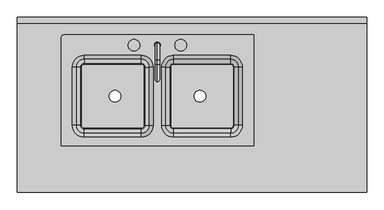
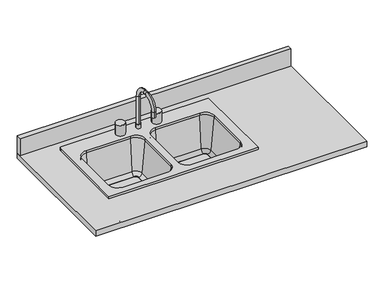
"""IFC4 building model written with IfcOpenShell, lengths in millimetres: furniture geometry."""

from ifc_helpers import new_model, si_unit, point, frame, frame_2d, origin, place, context, project, spatial, polyline, circle_curve, ellipse_curve, trimmed, segment, composite_curve, outline, extrude, source, transform, mapped, element, save
from ifc_brep_helpers import plane_surface, cylinder_surface, revolved_surface, advanced_brep


def furniture_a0154ec9(model_context):
    return source(origin(), model_context, "Body", "SolidModel", [
        advanced_brep(
        [(268.2875, 177.8, 1079.5), (-557.2125, 177.8, 1079.5), (-569.9125, 165.1, 1079.5), (-569.9125, -304.8, 1079.5), (268.2875, -304.8, 1079.5), (-220.6625, 88.9, 1079.5), (-169.8625, 38.1, 1079.5), (-169.8625, -215.9, 1079.5), (-220.6625, -266.7, 1079.5), (-469.9, -266.7, 1079.5), (-520.7, -215.9, 1079.5), (-520.7, 38.1, 1079.5), (-469.9, 88.9, 1079.5), (-80.9625, -266.7, 1079.5), (-131.7625, -215.9, 1079.5), (-131.7625, 38.1, 1079.5), (-80.9625, 88.9, 1079.5), (168.275, 88.9, 1079.5), (219.075, 38.1, 1079.5), (219.075, -215.9, 1079.5), (168.275, -266.7, 1079.5), (268.2875, 177.8, 1066.8), (268.2875, -304.8, 1066.8), (-569.9125, -304.8, 1066.8), (-569.9125, 165.1, 1066.8), (-557.2125, 177.8, 1066.8), (-80.9625, 95.25, 1066.8), (-138.1125, 38.1, 1066.8), (-138.1125, -215.9, 1066.8), (-80.9625, -273.05, 1066.8), (168.275, -273.05, 1066.8), (225.425, -215.9, 1066.8), (225.425, 38.1, 1066.8), (168.275, 95.25, 1066.8), (-163.5125, 38.1, 1066.8), (-220.6625, 95.25, 1066.8), (-469.9, 95.25, 1066.8), (-527.05, 38.1, 1066.8), (-527.05, -215.9, 1066.8), (-469.9, -273.05, 1066.8), (-220.6625, -273.05, 1066.8), (-163.5125, -215.9, 1066.8), (-220.6625, 88.9, 1066.8), (-169.8625, 38.1, 1066.8), (-169.8625, -215.9, 1066.8), (-220.6625, -266.7, 1066.8), (-469.9, -266.7, 1066.8), (-520.7, -215.9, 1066.8), (-520.7, 38.1, 1066.8), (-469.9, 88.9, 1066.8), (-80.9625, -266.7, 1066.8), (-131.7625, -215.9, 1066.8), (-131.7625, 38.1, 1066.8), (-80.9625, 88.9, 1066.8), (168.275, 88.9, 1066.8), (219.075, 38.1, 1066.8), (219.075, -215.9, 1066.8), (168.275, -266.7, 1066.8), (-115.2284272, 38.1, 877.8146831), (-80.9625, 72.3659272, 877.8146831), (-96.2509182, 38.1, 860.425), (-80.9625, 53.3884182, 860.425), (-93.6625, 38.1, 860.425), (-80.9625, 50.8, 860.425), (-93.6625, 38.1, 850.9), (-80.9625, 50.8, 850.9), (-138.1125, 38.1, 850.9), (-80.9625, 95.25, 850.9), (-115.2284272, -215.9, 877.8146831), (-96.2509182, -215.9, 860.425), (-93.6625, -215.9, 860.425), (-93.6625, -215.9, 850.9), (-138.1125, -215.9, 850.9), (-80.9625, -250.1659272, 877.8146831), (-80.9625, -231.1884182, 860.425), (-80.9625, -228.6, 860.425), (-80.9625, -228.6, 850.9), (-80.9625, -273.05, 850.9), (168.275, -250.1659272, 877.8146831), (168.275, -231.1884182, 860.425), (168.275, -228.6, 860.425), (168.275, -228.6, 850.9), (168.275, -273.05, 850.9), (202.5409272, -215.9, 877.8146831), (183.5634182, -215.9, 860.425), (180.975, -215.9, 860.425), (180.975, -215.9, 850.9), (225.425, -215.9, 850.9), (202.5409272, 38.1, 877.8146831), (183.5634182, 38.1, 860.425), (180.975, 38.1, 860.425), (180.975, 38.1, 850.9), (225.425, 38.1, 850.9), (168.275, 72.3659272, 877.8146831), (168.275, 53.3884182, 860.425), (168.275, 50.8, 860.425), (168.275, 50.8, 850.9), (168.275, 95.25, 850.9), (-163.5125, 38.1, 850.9), (-220.6625, 95.25, 850.9), (-207.9625, 38.1, 850.9), (-220.6625, 50.8, 850.9), (-207.9625, 38.1, 860.425), (-220.6625, 50.8, 860.425), (-205.3740818, 38.1, 860.425), (-220.6625, 53.3884182, 860.425), (-186.3965728, 38.1, 877.8146831), (-220.6625, 72.3659272, 877.8146831), (-163.5125, -215.9, 850.9), (-207.9625, -215.9, 850.9), (-207.9625, -215.9, 860.425), (-205.3740818, -215.9, 860.425), (-186.3965728, -215.9, 877.8146831), (-220.6625, -273.05, 850.9), (-220.6625, -228.6, 850.9), (-220.6625, -228.6, 860.425), (-220.6625, -231.1884182, 860.425), (-220.6625, -250.1659272, 877.8146831), (-469.9, -273.05, 850.9), (-469.9, -228.6, 850.9), (-469.9, -228.6, 860.425), (-469.9, -231.1884182, 860.425), (-469.9, -250.1659272, 877.8146831), (-527.05, -215.9, 850.9), (-482.6, -215.9, 850.9), (-482.6, -215.9, 860.425), (-485.1884182, -215.9, 860.425), (-504.1659272, -215.9, 877.8146831), (-527.05, 38.1, 850.9), (-482.6, 38.1, 850.9), (-482.6, 38.1, 860.425), (-485.1884182, 38.1, 860.425), (-504.1659272, 38.1, 877.8146831), (-469.9, 95.25, 850.9), (-469.9, 50.8, 850.9), (-469.9, 50.8, 860.425), (-469.9, 53.3884182, 860.425), (-469.9, 72.3659272, 877.8146831)],
        [
            (0, 1),
            (1, 2, circle_curve(frame((-557.2125, 165.1, 1079.5), z_axis=(0.0, 0.0, 1.0), x_axis=(1.0, 0.0, 0.0)), 12.7)),
            (2, 3),
            (3, 4),
            (4, 0),
            (5, 6, circle_curve(frame((-220.6625, 38.1, 1079.5), z_axis=(0.0, 0.0, -1.0), x_axis=(1.0, 0.0, 0.0)), 50.8)),
            (6, 7),
            (7, 8, circle_curve(frame((-220.6625, -215.9, 1079.5), z_axis=(0.0, 0.0, -1.0), x_axis=(1.0, 0.0, 0.0)), 50.8)),
            (8, 9),
            (9, 10, circle_curve(frame((-469.9, -215.9, 1079.5), z_axis=(0.0, 0.0, -1.0), x_axis=(1.0, 0.0, 0.0)), 50.8)),
            (10, 11),
            (11, 12, circle_curve(frame((-469.9, 38.1, 1079.5), z_axis=(0.0, 0.0, -1.0), x_axis=(1.0, 0.0, 0.0)), 50.8)),
            (12, 5),
            (13, 14, circle_curve(frame((-80.9625, -215.9, 1079.5), z_axis=(0.0, 0.0, -1.0), x_axis=(1.0, 0.0, 0.0)), 50.8)),
            (14, 15),
            (15, 16, circle_curve(frame((-80.9625, 38.1, 1079.5), z_axis=(0.0, 0.0, -1.0), x_axis=(1.0, 0.0, 0.0)), 50.8)),
            (16, 17),
            (17, 18, circle_curve(frame((168.275, 38.1, 1079.5), z_axis=(0.0, 0.0, -1.0), x_axis=(1.0, 0.0, 0.0)), 50.8)),
            (18, 19),
            (19, 20, circle_curve(frame((168.275, -215.9, 1079.5), z_axis=(0.0, 0.0, -1.0), x_axis=(1.0, 0.0, 0.0)), 50.8)),
            (20, 13),
            (21, 22),
            (22, 23),
            (23, 24),
            (24, 25, circle_curve(frame((-557.2125, 165.1, 1066.8), z_axis=(0.0, 0.0, -1.0), x_axis=(1.0, 0.0, 0.0)), 12.7)),
            (25, 21),
            (26, 27, circle_curve(frame((-80.9625, 38.1, 1066.8), z_axis=(0.0, 0.0, 1.0), x_axis=(0.0, 1.0, 0.0)), 57.15)),
            (27, 28),
            (28, 29, circle_curve(frame((-80.9625, -215.9, 1066.8), z_axis=(0.0, 0.0, 1.0), x_axis=(-1.0, 0.0, 0.0)), 57.15)),
            (29, 30),
            (30, 31, circle_curve(frame((168.275, -215.9, 1066.8), z_axis=(0.0, 0.0, 1.0), x_axis=(0.0, -1.0, 0.0)), 57.15)),
            (31, 32),
            (32, 33, circle_curve(frame((168.275, 38.1, 1066.8), z_axis=(0.0, 0.0, 1.0), x_axis=(1.0, 0.0, 0.0)), 57.15)),
            (33, 26),
            (34, 35, circle_curve(frame((-220.6625, 38.1, 1066.8), z_axis=(0.0, 0.0, 1.0), x_axis=(0.0, 1.0, 0.0)), 57.15)),
            (35, 36),
            (36, 37, circle_curve(frame((-469.9, 38.1, 1066.8), z_axis=(0.0, 0.0, 1.0), x_axis=(-1.0, 0.0, 0.0)), 57.15)),
            (37, 38),
            (38, 39, circle_curve(frame((-469.9, -215.9, 1066.8), z_axis=(0.0, 0.0, 1.0), x_axis=(0.0, -1.0, 0.0)), 57.15)),
            (39, 40),
            (40, 41, circle_curve(frame((-220.6625, -215.9, 1066.8), z_axis=(0.0, 0.0, 1.0), x_axis=(1.0, 0.0, 0.0)), 57.15)),
            (41, 34),
            (0, 21),
            (25, 1),
            (24, 2),
            (23, 3),
            (22, 4),
            (5, 42),
            (42, 43, circle_curve(frame((-220.6625, 38.1, 1066.8), z_axis=(0.0, 0.0, -1.0), x_axis=(1.0, 0.0, 0.0)), 50.8)),
            (43, 6),
            (43, 44),
            (44, 7),
            (44, 45, circle_curve(frame((-220.6625, -215.9, 1066.8), z_axis=(0.0, 0.0, -1.0), x_axis=(1.0, 0.0, 0.0)), 50.8)),
            (45, 8),
            (45, 46),
            (46, 9),
            (46, 47, circle_curve(frame((-469.9, -215.9, 1066.8), z_axis=(0.0, 0.0, -1.0), x_axis=(1.0, 0.0, 0.0)), 50.8)),
            (47, 10),
            (47, 48),
            (48, 11),
            (48, 49, circle_curve(frame((-469.9, 38.1, 1066.8), z_axis=(0.0, 0.0, -1.0), x_axis=(1.0, 0.0, 0.0)), 50.8)),
            (49, 12),
            (49, 42),
            (13, 50),
            (50, 51, circle_curve(frame((-80.9625, -215.9, 1066.8), z_axis=(0.0, 0.0, -1.0), x_axis=(1.0, 0.0, 0.0)), 50.8)),
            (51, 14),
            (51, 52),
            (52, 15),
            (52, 53, circle_curve(frame((-80.9625, 38.1, 1066.8), z_axis=(0.0, 0.0, -1.0), x_axis=(1.0, 0.0, 0.0)), 50.8)),
            (53, 16),
            (53, 54),
            (54, 17),
            (54, 55, circle_curve(frame((168.275, 38.1, 1066.8), z_axis=(0.0, 0.0, -1.0), x_axis=(1.0, 0.0, 0.0)), 50.8)),
            (55, 18),
            (55, 56),
            (56, 19),
            (56, 57, circle_curve(frame((168.275, -215.9, 1066.8), z_axis=(0.0, 0.0, -1.0), x_axis=(1.0, 0.0, 0.0)), 50.8)),
            (57, 20),
            (57, 50),
            (58, 59, circle_curve(frame((-80.9625, 38.1, 877.8146831), z_axis=(0.0, 0.0, -1.0), x_axis=(0.0, 1.0, 0.0)), 34.2659272)),
            (59, 53),
            (52, 58),
            (58, 60, circle_curve(frame((-96.2509182, 38.1, 879.475), z_axis=(0.0, -1.0, 0.0), x_axis=(1.0, 0.0, 0.0)), 19.05)),
            (60, 61, circle_curve(frame((-80.9625, 38.1, 860.425), z_axis=(0.0, 0.0, -1.0), x_axis=(0.0, 1.0, 0.0)), 15.2884182)),
            (61, 59, circle_curve(frame((-80.9625, 53.3884182, 879.475), z_axis=(1.0, 0.0, 0.0), x_axis=(0.0, -1.0, 0.0)), 19.05)),
            (60, 62),
            (62, 63, circle_curve(frame((-80.9625, 38.1, 860.425), z_axis=(0.0, 0.0, -1.0), x_axis=(0.0, 1.0, 0.0)), 12.7)),
            (63, 61),
            (62, 64),
            (64, 65, circle_curve(frame((-80.9625, 38.1, 850.9), z_axis=(0.0, 0.0, -1.0), x_axis=(0.0, 1.0, 0.0)), 12.7)),
            (65, 63),
            (64, 66),
            (66, 67, circle_curve(frame((-80.9625, 38.1, 850.9), z_axis=(0.0, 0.0, -1.0), x_axis=(0.0, 1.0, 0.0)), 57.15)),
            (67, 65),
            (66, 27),
            (26, 67),
            (51, 68),
            (68, 58),
            (68, 69, circle_curve(frame((-96.2509182, -215.9, 879.475), z_axis=(0.0, -1.0, 0.0), x_axis=(1.0, 0.0, 0.0)), 19.05)),
            (69, 60),
            (69, 70),
            (70, 62),
            (70, 71),
            (71, 64),
            (71, 72),
            (72, 66),
            (72, 28),
            (50, 73),
            (73, 68, circle_curve(frame((-80.9625, -215.9, 877.8146831), z_axis=(0.0, 0.0, -1.0), x_axis=(-1.0, 0.0, 0.0)), 34.2659272)),
            (73, 74, circle_curve(frame((-80.9625, -231.1884182, 879.475), z_axis=(1.0, 0.0, 0.0), x_axis=(0.0, 1.0, 0.0)), 19.05)),
            (74, 69, circle_curve(frame((-80.9625, -215.9, 860.425), z_axis=(0.0, 0.0, -1.0), x_axis=(-1.0, 0.0, 0.0)), 15.2884182)),
            (74, 75),
            (75, 70, circle_curve(frame((-80.9625, -215.9, 860.425), z_axis=(0.0, 0.0, -1.0), x_axis=(-1.0, 0.0, 0.0)), 12.7)),
            (75, 76),
            (76, 71, circle_curve(frame((-80.9625, -215.9, 850.9), z_axis=(0.0, 0.0, -1.0), x_axis=(-1.0, 0.0, 0.0)), 12.7)),
            (76, 77),
            (77, 72, circle_curve(frame((-80.9625, -215.9, 850.9), z_axis=(0.0, 0.0, -1.0), x_axis=(-1.0, 0.0, 0.0)), 57.15)),
            (77, 29),
            (57, 78),
            (78, 73),
            (78, 79, circle_curve(frame((168.275, -231.1884182, 879.475), z_axis=(1.0, 0.0, 0.0), x_axis=(0.0, 1.0, 0.0)), 19.05)),
            (79, 74),
            (79, 80),
            (80, 75),
            (80, 81),
            (81, 76),
            (81, 82),
            (82, 77),
            (82, 30),
            (56, 83),
            (83, 78, circle_curve(frame((168.275, -215.9, 877.8146831), z_axis=(0.0, 0.0, -1.0), x_axis=(0.0, -1.0, 0.0)), 34.2659272)),
            (83, 84, circle_curve(frame((183.5634182, -215.9, 879.475), z_axis=(0.0, 1.0, 0.0), x_axis=(-1.0, 0.0, 0.0)), 19.05)),
            (84, 79, circle_curve(frame((168.275, -215.9, 860.425), z_axis=(0.0, 0.0, -1.0), x_axis=(0.0, -1.0, 0.0)), 15.2884182)),
            (84, 85),
            (85, 80, circle_curve(frame((168.275, -215.9, 860.425), z_axis=(0.0, 0.0, -1.0), x_axis=(0.0, -1.0, 0.0)), 12.7)),
            (85, 86),
            (86, 81, circle_curve(frame((168.275, -215.9, 850.9), z_axis=(0.0, 0.0, -1.0), x_axis=(0.0, -1.0, 0.0)), 12.7)),
            (86, 87),
            (87, 82, circle_curve(frame((168.275, -215.9, 850.9), z_axis=(0.0, 0.0, -1.0), x_axis=(0.0, -1.0, 0.0)), 57.15)),
            (87, 31),
            (55, 88),
            (88, 83),
            (88, 89, circle_curve(frame((183.5634182, 38.1, 879.475), z_axis=(0.0, 1.0, 0.0), x_axis=(-1.0, 0.0, 0.0)), 19.05)),
            (89, 84),
            (89, 90),
            (90, 85),
            (90, 91),
            (91, 86),
            (91, 92),
            (92, 87),
            (92, 32),
            (54, 93),
            (93, 88, circle_curve(frame((168.275, 38.1, 877.8146831), z_axis=(0.0, 0.0, -1.0), x_axis=(1.0, 0.0, 0.0)), 34.2659272)),
            (93, 94, circle_curve(frame((168.275, 53.3884182, 879.475), z_axis=(-1.0, 0.0, 0.0), x_axis=(0.0, -1.0, 0.0)), 19.05)),
            (94, 89, circle_curve(frame((168.275, 38.1, 860.425), z_axis=(0.0, 0.0, -1.0), x_axis=(1.0, 0.0, 0.0)), 15.2884182)),
            (94, 95),
            (95, 90, circle_curve(frame((168.275, 38.1, 860.425), z_axis=(0.0, 0.0, -1.0), x_axis=(1.0, 0.0, 0.0)), 12.7)),
            (95, 96),
            (96, 91, circle_curve(frame((168.275, 38.1, 850.9), z_axis=(0.0, 0.0, -1.0), x_axis=(1.0, 0.0, 0.0)), 12.7)),
            (96, 97),
            (97, 92, circle_curve(frame((168.275, 38.1, 850.9), z_axis=(0.0, 0.0, -1.0), x_axis=(1.0, 0.0, 0.0)), 57.15)),
            (97, 33),
            (59, 93),
            (61, 94),
            (63, 95),
            (65, 96),
            (67, 97),
            (98, 99, circle_curve(frame((-220.6625, 38.1, 850.9), z_axis=(0.0, 0.0, 1.0), x_axis=(0.0, 1.0, 0.0)), 57.15)),
            (99, 35),
            (34, 98),
            (98, 100),
            (100, 101, circle_curve(frame((-220.6625, 38.1, 850.9), z_axis=(0.0, 0.0, 1.0), x_axis=(0.0, 1.0, 0.0)), 12.7)),
            (101, 99),
            (100, 102),
            (102, 103, circle_curve(frame((-220.6625, 38.1, 860.425), z_axis=(0.0, 0.0, 1.0), x_axis=(0.0, 1.0, 0.0)), 12.7)),
            (103, 101),
            (102, 104),
            (104, 105, circle_curve(frame((-220.6625, 38.1, 860.425), z_axis=(0.0, 0.0, 1.0), x_axis=(0.0, 1.0, 0.0)), 15.2884182)),
            (105, 103),
            (104, 106, circle_curve(frame((-205.3740818, 38.1, 879.475), z_axis=(0.0, -1.0, 0.0), x_axis=(1.0, 0.0, 0.0)), 19.05)),
            (106, 107, circle_curve(frame((-220.6625, 38.1, 877.8146831), z_axis=(0.0, 0.0, 1.0), x_axis=(0.0, 1.0, 0.0)), 34.2659272)),
            (107, 105, circle_curve(frame((-220.6625, 53.3884182, 879.475), z_axis=(-1.0, 0.0, 0.0), x_axis=(0.0, 1.0, 0.0)), 19.05)),
            (106, 43),
            (42, 107),
            (41, 108),
            (108, 98),
            (108, 109),
            (109, 100),
            (109, 110),
            (110, 102),
            (110, 111),
            (111, 104),
            (111, 112, circle_curve(frame((-205.3740818, -215.9, 879.475), z_axis=(0.0, -1.0, 0.0), x_axis=(1.0, 0.0, 0.0)), 19.05)),
            (112, 106),
            (112, 44),
            (40, 113),
            (113, 108, circle_curve(frame((-220.6625, -215.9, 850.9), z_axis=(0.0, 0.0, 1.0), x_axis=(1.0, 0.0, 0.0)), 57.15)),
            (113, 114),
            (114, 109, circle_curve(frame((-220.6625, -215.9, 850.9), z_axis=(0.0, 0.0, 1.0), x_axis=(1.0, 0.0, 0.0)), 12.7)),
            (114, 115),
            (115, 110, circle_curve(frame((-220.6625, -215.9, 860.425), z_axis=(0.0, 0.0, 1.0), x_axis=(1.0, 0.0, 0.0)), 12.7)),
            (115, 116),
            (116, 111, circle_curve(frame((-220.6625, -215.9, 860.425), z_axis=(0.0, 0.0, 1.0), x_axis=(1.0, 0.0, 0.0)), 15.2884182)),
            (116, 117, circle_curve(frame((-220.6625, -231.1884182, 879.475), z_axis=(-1.0, 0.0, 0.0), x_axis=(0.0, -1.0, 0.0)), 19.05)),
            (117, 112, circle_curve(frame((-220.6625, -215.9, 877.8146831), z_axis=(0.0, 0.0, 1.0), x_axis=(1.0, 0.0, 0.0)), 34.2659272)),
            (117, 45),
            (39, 118),
            (118, 113),
            (118, 119),
            (119, 114),
            (119, 120),
            (120, 115),
            (120, 121),
            (121, 116),
            (121, 122, circle_curve(frame((-469.9, -231.1884182, 879.475), z_axis=(-1.0, 0.0, 0.0), x_axis=(0.0, -1.0, 0.0)), 19.05)),
            (122, 117),
            (122, 46),
            (38, 123),
            (123, 118, circle_curve(frame((-469.9, -215.9, 850.9), z_axis=(0.0, 0.0, 1.0), x_axis=(0.0, -1.0, 0.0)), 57.15)),
            (123, 124),
            (124, 119, circle_curve(frame((-469.9, -215.9, 850.9), z_axis=(0.0, 0.0, 1.0), x_axis=(0.0, -1.0, 0.0)), 12.7)),
            (124, 125),
            (125, 120, circle_curve(frame((-469.9, -215.9, 860.425), z_axis=(0.0, 0.0, 1.0), x_axis=(0.0, -1.0, 0.0)), 12.7)),
            (125, 126),
            (126, 121, circle_curve(frame((-469.9, -215.9, 860.425), z_axis=(0.0, 0.0, 1.0), x_axis=(0.0, -1.0, 0.0)), 15.2884182)),
            (126, 127, circle_curve(frame((-485.1884182, -215.9, 879.475), z_axis=(0.0, 1.0, 0.0), x_axis=(-1.0, 0.0, 0.0)), 19.05)),
            (127, 122, circle_curve(frame((-469.9, -215.9, 877.8146831), z_axis=(0.0, 0.0, 1.0), x_axis=(0.0, -1.0, 0.0)), 34.2659272)),
            (127, 47),
            (37, 128),
            (128, 123),
            (128, 129),
            (129, 124),
            (129, 130),
            (130, 125),
            (130, 131),
            (131, 126),
            (131, 132, circle_curve(frame((-485.1884182, 38.1, 879.475), z_axis=(0.0, 1.0, 0.0), x_axis=(-1.0, 0.0, 0.0)), 19.05)),
            (132, 127),
            (132, 48),
            (36, 133),
            (133, 128, circle_curve(frame((-469.9, 38.1, 850.9), z_axis=(0.0, 0.0, 1.0), x_axis=(-1.0, 0.0, 0.0)), 57.15)),
            (133, 134),
            (134, 129, circle_curve(frame((-469.9, 38.1, 850.9), z_axis=(0.0, 0.0, 1.0), x_axis=(-1.0, 0.0, 0.0)), 12.7)),
            (134, 135),
            (135, 130, circle_curve(frame((-469.9, 38.1, 860.425), z_axis=(0.0, 0.0, 1.0), x_axis=(-1.0, 0.0, 0.0)), 12.7)),
            (135, 136),
            (136, 131, circle_curve(frame((-469.9, 38.1, 860.425), z_axis=(0.0, 0.0, 1.0), x_axis=(-1.0, 0.0, 0.0)), 15.2884182)),
            (136, 137, circle_curve(frame((-469.9, 53.3884182, 879.475), z_axis=(1.0, 0.0, 0.0), x_axis=(0.0, 1.0, 0.0)), 19.05)),
            (137, 132, circle_curve(frame((-469.9, 38.1, 877.8146831), z_axis=(0.0, 0.0, 1.0), x_axis=(-1.0, 0.0, 0.0)), 34.2659272)),
            (137, 49),
            (99, 133),
            (101, 134),
            (103, 135),
            (105, 136),
            (107, 137),
        ],
        [
            plane_surface(frame((-557.2125, 177.8, 1079.5), z_axis=(0.0, 0.0, 1.0), x_axis=(-1.0, 0.0, 0.0))),
            plane_surface(frame((-557.2125, 177.8, 1066.8), z_axis=(0.0, 0.0, -1.0), x_axis=(1.0, 0.0, 0.0))),
            plane_surface(frame((268.2875, 177.8, 1079.5), z_axis=(0.0, 1.0, 0.0), x_axis=(0.0, 0.0, -1.0))),
            cylinder_surface(frame((-557.2125, 165.1, 1066.8), z_axis=(0.0, 0.0, 1.0), x_axis=(1.0, 0.0, 0.0)), 12.7),
            plane_surface(frame((-569.9125, 165.1, 1079.5), z_axis=(-1.0, 0.0, 0.0), x_axis=(0.0, 0.0, -1.0))),
            plane_surface(frame((-569.9125, -304.8, 1079.5), z_axis=(0.0, -1.0, 0.0), x_axis=(0.0, 0.0, -1.0))),
            plane_surface(frame((268.2875, -304.8, 1079.5), z_axis=(1.0, 0.0, 0.0), x_axis=(0.0, 0.0, -1.0))),
            revolved_surface(polyline([(-169.8625, 38.1, 1066.8), (-169.8625, 38.1, 1079.5)]), (-220.6625, 38.1, 152.4), (0.0, 0.0, -1.0)),
            plane_surface(frame((-169.8625, 38.1, 1079.5), z_axis=(-1.0, 0.0, 0.0), x_axis=(0.0, 0.0, -1.0))),
            revolved_surface(polyline([(-169.8625, -215.9, 1066.8), (-169.8625, -215.9, 1079.5)]), (-220.6625, -215.9, 152.4), (0.0, 0.0, -1.0)),
            plane_surface(frame((-220.6625, -266.7, 1079.5), z_axis=(0.0, 1.0, 0.0), x_axis=(0.0, 0.0, -1.0))),
            revolved_surface(polyline([(-419.09999999999997, -215.9, 1066.8), (-419.09999999999997, -215.9, 1079.5)]), (-469.9, -215.9, 152.4), (0.0, 0.0, -1.0)),
            plane_surface(frame((-520.7, -215.9, 1079.5), z_axis=(1.0, 0.0, 0.0), x_axis=(0.0, 0.0, -1.0))),
            revolved_surface(polyline([(-419.09999999999997, 38.1, 1066.8), (-419.09999999999997, 38.1, 1079.5)]), (-469.9, 38.1, 152.4), (0.0, 0.0, -1.0)),
            plane_surface(frame((-469.9, 88.9, 1079.5), z_axis=(0.0, -1.0, 0.0), x_axis=(0.0, 0.0, -1.0))),
            revolved_surface(polyline([(-30.16250000000001, -215.9, 1066.8), (-30.16250000000001, -215.9, 1079.5)]), (-80.9625, -215.9, 152.4), (0.0, 0.0, -1.0)),
            plane_surface(frame((-131.7625, -215.9, 1079.5), z_axis=(1.0, 0.0, 0.0), x_axis=(0.0, 0.0, -1.0))),
            revolved_surface(polyline([(-30.16250000000001, 38.1, 1066.8), (-30.16250000000001, 38.1, 1079.5)]), (-80.9625, 38.1, 152.4), (0.0, 0.0, -1.0)),
            plane_surface(frame((-80.9625, 88.9, 1079.5), z_axis=(0.0, -1.0, 0.0), x_axis=(0.0, 0.0, -1.0))),
            revolved_surface(polyline([(219.075, 38.1, 1066.8), (219.075, 38.1, 1079.5)]), (168.275, 38.1, 152.4), (0.0, 0.0, -1.0)),
            plane_surface(frame((219.075, 38.1, 1079.5), z_axis=(-1.0, 0.0, 0.0), x_axis=(0.0, 0.0, -1.0))),
            revolved_surface(polyline([(219.075, -215.9, 1066.8), (219.075, -215.9, 1079.5)]), (168.275, -215.9, 152.4), (0.0, 0.0, -1.0)),
            plane_surface(frame((168.275, -266.7, 1079.5), z_axis=(0.0, 1.0, 0.0), x_axis=(0.0, 0.0, -1.0))),
            revolved_surface(polyline([(-80.9625, 88.9, 1066.8), (-80.9625, 72.3659272, 877.8146831)]), (-80.9625, 38.1, 152.4), (0.0, 0.0, 1.0)),
            revolved_surface(trimmed(ellipse_curve(frame((-80.9625, 53.3884182, 879.475), z_axis=(-1.0, 0.0, 0.0), x_axis=(0.0, -1.0, 0.0)), 19.05, 19.05), [point((-80.9625, 72.3659272, 877.8146831))], [point((-80.9625, 53.3884182, 860.425))], True, "CARTESIAN"), (-80.9625, 38.1, 152.4), (0.0, 0.0, 1.0)),
            plane_surface(frame((-80.9625, 38.1, 860.425), z_axis=(0.0, 0.0, 1.0), x_axis=(0.0, 1.0, 0.0))),
            revolved_surface(polyline([(-80.9625, 50.8, 860.425), (-80.9625, 50.8, 850.9)]), (-80.9625, 38.1, 152.4), (0.0, 0.0, 1.0)),
            plane_surface(frame((-80.9625, 38.1, 850.9), z_axis=(0.0, 0.0, -1.0), x_axis=(0.0, 1.0, 0.0))),
            cylinder_surface(frame((-80.9625, 38.1, 152.4), z_axis=(0.0, 0.0, 1.0), x_axis=(0.0, 1.0, 0.0)), 57.15),
            plane_surface(frame((-131.7625, 38.1, 1066.8), z_axis=(0.996194698091745, 0.0, 0.08715574274766508), x_axis=(0.0, -1.0, 0.0))),
            revolved_surface(polyline([(-77.2009182, -215.9, 879.475), (-77.2009182, 38.1, 879.475)]), (-96.2509182, 38.1, 879.475), (0.0, -1.0, 0.0)),
            plane_surface(frame((-96.2509182, 38.1, 860.425), z_axis=(0.0, 0.0, 1.0), x_axis=(0.0, -1.0, 0.0))),
            plane_surface(frame((-93.6625, 38.1, 860.425), z_axis=(1.0, 0.0, 0.0), x_axis=(0.0, -1.0, 0.0))),
            plane_surface(frame((-93.6625, 38.1, 850.9), z_axis=(0.0, 0.0, -1.0), x_axis=(0.0, -1.0, 0.0))),
            plane_surface(frame((-138.1125, 38.1, 850.9), z_axis=(-1.0, 0.0, 0.0), x_axis=(0.0, -1.0, 0.0))),
            revolved_surface(polyline([(-131.7625, -215.9, 1066.8), (-115.2284272, -215.9, 877.8146831)]), (-80.9625, -215.9, 152.4), (0.0, 0.0, 1.0)),
            revolved_surface(trimmed(ellipse_curve(frame((-96.2509182, -215.9, 879.475), z_axis=(0.0, -1.0, 0.0), x_axis=(1.0, 0.0, 0.0)), 19.05, 19.05), [point((-115.2284272, -215.9, 877.8146831))], [point((-96.2509182, -215.9, 860.425))], True, "CARTESIAN"), (-80.9625, -215.9, 152.4), (0.0, 0.0, 1.0)),
            plane_surface(frame((-80.9625, -215.9, 860.425), z_axis=(0.0, 0.0, 1.0), x_axis=(-1.0, 0.0, 0.0))),
            revolved_surface(polyline([(-93.66250000000001, -215.9, 860.425), (-93.66250000000001, -215.9, 850.9)]), (-80.9625, -215.9, 152.4), (0.0, 0.0, 1.0)),
            plane_surface(frame((-80.9625, -215.9, 850.9), z_axis=(0.0, 0.0, -1.0), x_axis=(-1.0, 0.0, 0.0))),
            cylinder_surface(frame((-80.9625, -215.9, 152.4), z_axis=(0.0, 0.0, 1.0), x_axis=(-1.0, 0.0, 0.0)), 57.15),
            plane_surface(frame((-80.9625, -266.7, 1066.8), z_axis=(0.0, 0.996194698091745, 0.08715574274766508), x_axis=(1.0, 0.0, 0.0))),
            revolved_surface(polyline([(168.275, -212.1384182, 879.475), (-80.9625, -212.1384182, 879.475)]), (-80.9625, -231.1884182, 879.475), (1.0, 0.0, 0.0)),
            plane_surface(frame((-80.9625, -231.1884182, 860.425), z_axis=(0.0, 0.0, 1.0), x_axis=(1.0, 0.0, 0.0))),
            plane_surface(frame((-80.9625, -228.6, 860.425), z_axis=(0.0, 1.0, 0.0), x_axis=(1.0, 0.0, 0.0))),
            plane_surface(frame((-80.9625, -228.6, 850.9), z_axis=(0.0, 0.0, -1.0), x_axis=(1.0, 0.0, 0.0))),
            plane_surface(frame((-80.9625, -273.05, 850.9), z_axis=(0.0, -1.0, 0.0), x_axis=(1.0, 0.0, 0.0))),
            revolved_surface(polyline([(168.275, -266.7, 1066.8), (168.275, -250.1659272, 877.8146831)]), (168.275, -215.9, 152.4), (0.0, 0.0, 1.0)),
            revolved_surface(trimmed(ellipse_curve(frame((168.275, -231.1884182, 879.475), z_axis=(1.0, 0.0, 0.0), x_axis=(0.0, 1.0, 0.0)), 19.05, 19.05), [point((168.275, -250.1659272, 877.8146831))], [point((168.275, -231.1884182, 860.425))], True, "CARTESIAN"), (168.275, -215.9, 152.4), (0.0, 0.0, 1.0)),
            plane_surface(frame((168.275, -215.9, 860.425), z_axis=(0.0, 0.0, 1.0), x_axis=(0.0, -1.0, 0.0))),
            revolved_surface(polyline([(168.275, -228.6, 860.425), (168.275, -228.6, 850.9)]), (168.275, -215.9, 152.4), (0.0, 0.0, 1.0)),
            plane_surface(frame((168.275, -215.9, 850.9), z_axis=(0.0, 0.0, -1.0), x_axis=(0.0, -1.0, 0.0))),
            cylinder_surface(frame((168.275, -215.9, 152.4), z_axis=(0.0, 0.0, 1.0), x_axis=(0.0, -1.0, 0.0)), 57.15),
            plane_surface(frame((219.075, -215.9, 1066.8), z_axis=(-0.996194698091745, 0.0, 0.08715574274766508), x_axis=(0.0, 1.0, 0.0))),
            revolved_surface(polyline([(164.5134182, 38.099999999999994, 879.475), (164.5134182, -215.9, 879.475)]), (183.5634182, -215.9, 879.475), (0.0, 1.0, 0.0)),
            plane_surface(frame((183.5634182, -215.9, 860.425), z_axis=(0.0, 0.0, 1.0), x_axis=(0.0, 1.0, 0.0))),
            plane_surface(frame((180.975, -215.9, 860.425), z_axis=(-1.0, 0.0, 0.0), x_axis=(0.0, 1.0, 0.0))),
            plane_surface(frame((180.975, -215.9, 850.9), z_axis=(0.0, 0.0, -1.0), x_axis=(0.0, 1.0, 0.0))),
            plane_surface(frame((225.425, -215.9, 850.9), z_axis=(1.0, 0.0, 0.0), x_axis=(0.0, 1.0, 0.0))),
            revolved_surface(polyline([(219.075, 38.1, 1066.8), (202.5409272, 38.1, 877.8146831)]), (168.275, 38.1, 152.4), (0.0, 0.0, 1.0)),
            revolved_surface(trimmed(ellipse_curve(frame((183.5634182, 38.1, 879.475), z_axis=(0.0, 1.0, 0.0), x_axis=(-1.0, 0.0, 0.0)), 19.05, 19.05), [point((202.5409272, 38.1, 877.8146831))], [point((183.5634182, 38.1, 860.425))], True, "CARTESIAN"), (168.275, 38.1, 152.4), (0.0, 0.0, 1.0)),
            plane_surface(frame((168.275, 38.1, 860.425), z_axis=(0.0, 0.0, 1.0), x_axis=(1.0, 0.0, 0.0))),
            revolved_surface(polyline([(180.975, 38.1, 860.425), (180.975, 38.1, 850.9)]), (168.275, 38.1, 152.4), (0.0, 0.0, 1.0)),
            plane_surface(frame((168.275, 38.1, 850.9), z_axis=(0.0, 0.0, -1.0), x_axis=(1.0, 0.0, 0.0))),
            cylinder_surface(frame((168.275, 38.1, 152.4), z_axis=(0.0, 0.0, 1.0), x_axis=(1.0, 0.0, 0.0)), 57.15),
            plane_surface(frame((168.275, 88.9, 1066.8), z_axis=(0.0, -0.996194698091745, 0.08715574274766508), x_axis=(-1.0, 0.0, 0.0))),
            revolved_surface(polyline([(-80.9625, 34.33841819999999, 879.475), (168.275, 34.33841819999999, 879.475)]), (168.275, 53.3884182, 879.475), (-1.0, 0.0, 0.0)),
            plane_surface(frame((168.275, 53.3884182, 860.425), z_axis=(0.0, 0.0, 1.0), x_axis=(-1.0, 0.0, 0.0))),
            plane_surface(frame((168.275, 50.8, 860.425), z_axis=(0.0, -1.0, 0.0), x_axis=(-1.0, 0.0, 0.0))),
            plane_surface(frame((168.275, 50.8, 850.9), z_axis=(0.0, 0.0, -1.0), x_axis=(-1.0, 0.0, 0.0))),
            plane_surface(frame((168.275, 95.25, 850.9), z_axis=(0.0, 1.0, 0.0), x_axis=(-1.0, 0.0, 0.0))),
            cylinder_surface(frame((-220.6625, 38.1, 152.4), z_axis=(0.0, 0.0, -1.0), x_axis=(0.0, 1.0, 0.0)), 57.15),
            plane_surface(frame((-220.6625, 38.1, 850.9), z_axis=(0.0, 0.0, -1.0), x_axis=(0.0, 1.0, 0.0))),
            revolved_surface(polyline([(-220.6625, 50.8, 850.9), (-220.6625, 50.8, 860.425)]), (-220.6625, 38.1, 152.4), (0.0, 0.0, -1.0)),
            plane_surface(frame((-220.6625, 38.1, 860.425), z_axis=(0.0, 0.0, 1.0), x_axis=(0.0, 1.0, 0.0))),
            revolved_surface(trimmed(ellipse_curve(frame((-220.6625, 53.3884182, 879.475), z_axis=(1.0, 0.0, 0.0), x_axis=(0.0, 1.0, 0.0)), 19.05, 19.05), [point((-220.6625, 53.3884182, 860.425))], [point((-220.6625, 72.3659272, 877.8146831))], True, "CARTESIAN"), (-220.6625, 38.1, 152.4), (0.0, 0.0, -1.0)),
            revolved_surface(polyline([(-220.6625, 72.3659272, 877.8146831), (-220.6625, 88.9, 1066.8)]), (-220.6625, 38.1, 152.4), (0.0, 0.0, -1.0)),
            plane_surface(frame((-163.5125, 38.1, 1066.8), z_axis=(1.0, 0.0, 0.0), x_axis=(0.0, -1.0, 0.0))),
            plane_surface(frame((-163.5125, 38.1, 850.9), z_axis=(0.0, 0.0, -1.0), x_axis=(0.0, -1.0, 0.0))),
            plane_surface(frame((-207.9625, 38.1, 850.9), z_axis=(-1.0, 0.0, 0.0), x_axis=(0.0, -1.0, 0.0))),
            plane_surface(frame((-207.9625, 38.1, 860.425), z_axis=(0.0, 0.0, 1.0), x_axis=(0.0, -1.0, 0.0))),
            revolved_surface(polyline([(-186.3240818, -215.9, 879.475), (-186.3240818, 38.1, 879.475)]), (-205.3740818, 38.1, 879.475), (0.0, -1.0, 0.0)),
            plane_surface(frame((-186.3965728, 38.1, 877.8146831), z_axis=(-0.9961946980917439, 0.0, 0.08715574274767722), x_axis=(0.0, -1.0, 0.0))),
            cylinder_surface(frame((-220.6625, -215.9, 152.4), z_axis=(0.0, 0.0, -1.0), x_axis=(1.0, 0.0, 0.0)), 57.15),
            plane_surface(frame((-220.6625, -215.9, 850.9), z_axis=(0.0, 0.0, -1.0), x_axis=(1.0, 0.0, 0.0))),
            revolved_surface(polyline([(-207.9625, -215.9, 850.9), (-207.9625, -215.9, 860.425)]), (-220.6625, -215.9, 152.4), (0.0, 0.0, -1.0)),
            plane_surface(frame((-220.6625, -215.9, 860.425), z_axis=(0.0, 0.0, 1.0), x_axis=(1.0, 0.0, 0.0))),
            revolved_surface(trimmed(ellipse_curve(frame((-205.3740818, -215.9, 879.475), z_axis=(0.0, -1.0, 0.0), x_axis=(1.0, 0.0, 0.0)), 19.05, 19.05), [point((-205.3740818, -215.9, 860.425))], [point((-186.3965728, -215.9, 877.8146831))], True, "CARTESIAN"), (-220.6625, -215.9, 152.4), (0.0, 0.0, -1.0)),
            revolved_surface(polyline([(-186.3965728, -215.9, 877.8146831), (-169.8625, -215.9, 1066.8)]), (-220.6625, -215.9, 152.4), (0.0, 0.0, -1.0)),
            plane_surface(frame((-220.6625, -273.05, 1066.8), z_axis=(0.0, -1.0, 0.0), x_axis=(-1.0, 0.0, 0.0))),
            plane_surface(frame((-220.6625, -273.05, 850.9), z_axis=(0.0, 0.0, -1.0), x_axis=(-1.0, 0.0, 0.0))),
            plane_surface(frame((-220.6625, -228.6, 850.9), z_axis=(0.0, 1.0, 0.0), x_axis=(-1.0, 0.0, 0.0))),
            plane_surface(frame((-220.6625, -228.6, 860.425), z_axis=(0.0, 0.0, 1.0), x_axis=(-1.0, 0.0, 0.0))),
            revolved_surface(polyline([(-469.9, -250.2384182, 879.475), (-220.6625, -250.2384182, 879.475)]), (-220.6625, -231.1884182, 879.475), (-1.0, 0.0, 0.0)),
            plane_surface(frame((-220.6625, -250.1659272, 877.8146831), z_axis=(0.0, 0.9961946980917439, 0.08715574274767722), x_axis=(-1.0, 0.0, 0.0))),
            cylinder_surface(frame((-469.9, -215.9, 152.4), z_axis=(0.0, 0.0, -1.0), x_axis=(0.0, -1.0, 0.0)), 57.15),
            plane_surface(frame((-469.9, -215.9, 850.9), z_axis=(0.0, 0.0, -1.0), x_axis=(0.0, -1.0, 0.0))),
            revolved_surface(polyline([(-469.9, -228.6, 850.9), (-469.9, -228.6, 860.425)]), (-469.9, -215.9, 152.4), (0.0, 0.0, -1.0)),
            plane_surface(frame((-469.9, -215.9, 860.425), z_axis=(0.0, 0.0, 1.0), x_axis=(0.0, -1.0, 0.0))),
            revolved_surface(trimmed(ellipse_curve(frame((-469.9, -231.1884182, 879.475), z_axis=(-1.0, 0.0, 0.0), x_axis=(0.0, -1.0, 0.0)), 19.05, 19.05), [point((-469.9, -231.1884182, 860.425))], [point((-469.9, -250.1659272, 877.8146831))], True, "CARTESIAN"), (-469.9, -215.9, 152.4), (0.0, 0.0, -1.0)),
            revolved_surface(polyline([(-469.9, -250.1659272, 877.8146831), (-469.9, -266.7, 1066.8)]), (-469.9, -215.9, 152.4), (0.0, 0.0, -1.0)),
            plane_surface(frame((-527.05, -215.9, 1066.8), z_axis=(-1.0, 0.0, 0.0), x_axis=(0.0, 1.0, 0.0))),
            plane_surface(frame((-527.05, -215.9, 850.9), z_axis=(0.0, 0.0, -1.0), x_axis=(0.0, 1.0, 0.0))),
            plane_surface(frame((-482.6, -215.9, 850.9), z_axis=(1.0, 0.0, 0.0), x_axis=(0.0, 1.0, 0.0))),
            plane_surface(frame((-482.6, -215.9, 860.425), z_axis=(0.0, 0.0, 1.0), x_axis=(0.0, 1.0, 0.0))),
            revolved_surface(polyline([(-504.2384182, 38.099999999999994, 879.475), (-504.2384182, -215.9, 879.475)]), (-485.1884182, -215.9, 879.475), (0.0, 1.0, 0.0)),
            plane_surface(frame((-504.1659272, -215.9, 877.8146831), z_axis=(0.9961946980917439, 0.0, 0.08715574274767722), x_axis=(0.0, 1.0, 0.0))),
            cylinder_surface(frame((-469.9, 38.1, 152.4), z_axis=(0.0, 0.0, -1.0), x_axis=(-1.0, 0.0, 0.0)), 57.15),
            plane_surface(frame((-469.9, 38.1, 850.9), z_axis=(0.0, 0.0, -1.0), x_axis=(-1.0, 0.0, 0.0))),
            revolved_surface(polyline([(-482.59999999999997, 38.1, 850.9), (-482.59999999999997, 38.1, 860.425)]), (-469.9, 38.1, 152.4), (0.0, 0.0, -1.0)),
            plane_surface(frame((-469.9, 38.1, 860.425), z_axis=(0.0, 0.0, 1.0), x_axis=(-1.0, 0.0, 0.0))),
            revolved_surface(trimmed(ellipse_curve(frame((-485.1884182, 38.1, 879.475), z_axis=(0.0, 1.0, 0.0), x_axis=(-1.0, 0.0, 0.0)), 19.05, 19.05), [point((-485.1884182, 38.1, 860.425))], [point((-504.1659272, 38.1, 877.8146831))], True, "CARTESIAN"), (-469.9, 38.1, 152.4), (0.0, 0.0, -1.0)),
            revolved_surface(polyline([(-504.1659272, 38.1, 877.8146831), (-520.7, 38.1, 1066.8)]), (-469.9, 38.1, 152.4), (0.0, 0.0, -1.0)),
            plane_surface(frame((-469.9, 95.25, 1066.8), z_axis=(0.0, 1.0, 0.0), x_axis=(1.0, 0.0, 0.0))),
            plane_surface(frame((-469.9, 95.25, 850.9), z_axis=(0.0, 0.0, -1.0), x_axis=(1.0, 0.0, 0.0))),
            plane_surface(frame((-469.9, 50.8, 850.9), z_axis=(0.0, -1.0, 0.0), x_axis=(1.0, 0.0, 0.0))),
            plane_surface(frame((-469.9, 50.8, 860.425), z_axis=(0.0, 0.0, 1.0), x_axis=(1.0, 0.0, 0.0))),
            revolved_surface(polyline([(-220.6625, 72.4384182, 879.475), (-469.9, 72.4384182, 879.475)]), (-469.9, 53.3884182, 879.475), (1.0, 0.0, 0.0)),
            plane_surface(frame((-469.9, 72.3659272, 877.8146831), z_axis=(0.0, -0.9961946980917439, 0.08715574274767722), x_axis=(1.0, 0.0, 0.0))),
        ],
        [
            (0, [[1, 2, 3, 4, 5], [6, 7, 8, 9, 10, 11, 12, 13], [14, 15, 16, 17, 18, 19, 20, 21]]),
            (1, [[22, 23, 24, 25, 26], [27, 28, 29, 30, 31, 32, 33, 34], [35, 36, 37, 38, 39, 40, 41, 42]]),
            (2, [[-1, 43, -26, 44]]),
            (3, [[-2, -44, -25, 45]]),
            (4, [[-3, -45, -24, 46]]),
            (5, [[-4, -46, -23, 47]]),
            (6, [[-5, -47, -22, -43]]),
            (7, [[-6, 48, 49, 50]]),
            (8, [[-7, -50, 51, 52]]),
            (9, [[-8, -52, 53, 54]]),
            (10, [[-9, -54, 55, 56]]),
            (11, [[-10, -56, 57, 58]]),
            (12, [[-11, -58, 59, 60]]),
            (13, [[-12, -60, 61, 62]]),
            (14, [[-13, -62, 63, -48]]),
            (15, [[-14, 64, 65, 66]]),
            (16, [[-15, -66, 67, 68]]),
            (17, [[-16, -68, 69, 70]]),
            (18, [[-17, -70, 71, 72]]),
            (19, [[-18, -72, 73, 74]]),
            (20, [[-19, -74, 75, 76]]),
            (21, [[-20, -76, 77, 78]]),
            (22, [[-21, -78, 79, -64]]),
            (23, [[80, 81, -69, 82]]),
            (24, [[-80, 83, 84, 85]]),
            (25, [[-84, 86, 87, 88]]),
            (26, [[-87, 89, 90, 91]]),
            (27, [[-90, 92, 93, 94]]),
            (28, [[-93, 95, -27, 96]]),
            (29, [[-82, -67, 97, 98]]),
            (30, [[-83, -98, 99, 100]]),
            (31, [[-86, -100, 101, 102]]),
            (32, [[-89, -102, 103, 104]]),
            (33, [[-92, -104, 105, 106]]),
            (34, [[-95, -106, 107, -28]]),
            (35, [[-97, -65, 108, 109]]),
            (36, [[-99, -109, 110, 111]]),
            (37, [[-101, -111, 112, 113]]),
            (38, [[-103, -113, 114, 115]]),
            (39, [[-105, -115, 116, 117]]),
            (40, [[-107, -117, 118, -29]]),
            (41, [[-108, -79, 119, 120]]),
            (42, [[-110, -120, 121, 122]]),
            (43, [[-112, -122, 123, 124]]),
            (44, [[-114, -124, 125, 126]]),
            (45, [[-116, -126, 127, 128]]),
            (46, [[-118, -128, 129, -30]]),
            (47, [[-119, -77, 130, 131]]),
            (48, [[-121, -131, 132, 133]]),
            (49, [[-123, -133, 134, 135]]),
            (50, [[-125, -135, 136, 137]]),
            (51, [[-127, -137, 138, 139]]),
            (52, [[-129, -139, 140, -31]]),
            (53, [[-130, -75, 141, 142]]),
            (54, [[-132, -142, 143, 144]]),
            (55, [[-134, -144, 145, 146]]),
            (56, [[-136, -146, 147, 148]]),
            (57, [[-138, -148, 149, 150]]),
            (58, [[-140, -150, 151, -32]]),
            (59, [[-141, -73, 152, 153]]),
            (60, [[-143, -153, 154, 155]]),
            (61, [[-145, -155, 156, 157]]),
            (62, [[-147, -157, 158, 159]]),
            (63, [[-149, -159, 160, 161]]),
            (64, [[-151, -161, 162, -33]]),
            (65, [[-81, 163, -152, -71]]),
            (66, [[-85, 164, -154, -163]]),
            (67, [[-88, 165, -156, -164]]),
            (68, [[-91, 166, -158, -165]]),
            (69, [[-94, 167, -160, -166]]),
            (70, [[-96, -34, -162, -167]]),
            (71, [[168, 169, -35, 170]]),
            (72, [[-168, 171, 172, 173]]),
            (73, [[-172, 174, 175, 176]]),
            (74, [[-175, 177, 178, 179]]),
            (75, [[-178, 180, 181, 182]]),
            (76, [[-181, 183, -49, 184]]),
            (77, [[-170, -42, 185, 186]]),
            (78, [[-171, -186, 187, 188]]),
            (79, [[-174, -188, 189, 190]]),
            (80, [[-177, -190, 191, 192]]),
            (81, [[-180, -192, 193, 194]]),
            (82, [[-183, -194, 195, -51]]),
            (83, [[-185, -41, 196, 197]]),
            (84, [[-187, -197, 198, 199]]),
            (85, [[-189, -199, 200, 201]]),
            (86, [[-191, -201, 202, 203]]),
            (87, [[-193, -203, 204, 205]]),
            (88, [[-195, -205, 206, -53]]),
            (89, [[-196, -40, 207, 208]]),
            (90, [[-198, -208, 209, 210]]),
            (91, [[-200, -210, 211, 212]]),
            (92, [[-202, -212, 213, 214]]),
            (93, [[-204, -214, 215, 216]]),
            (94, [[-206, -216, 217, -55]]),
            (95, [[-207, -39, 218, 219]]),
            (96, [[-209, -219, 220, 221]]),
            (97, [[-211, -221, 222, 223]]),
            (98, [[-213, -223, 224, 225]]),
            (99, [[-215, -225, 226, 227]]),
            (100, [[-217, -227, 228, -57]]),
            (101, [[-218, -38, 229, 230]]),
            (102, [[-220, -230, 231, 232]]),
            (103, [[-222, -232, 233, 234]]),
            (104, [[-224, -234, 235, 236]]),
            (105, [[-226, -236, 237, 238]]),
            (106, [[-228, -238, 239, -59]]),
            (107, [[-229, -37, 240, 241]]),
            (108, [[-231, -241, 242, 243]]),
            (109, [[-233, -243, 244, 245]]),
            (110, [[-235, -245, 246, 247]]),
            (111, [[-237, -247, 248, 249]]),
            (112, [[-239, -249, 250, -61]]),
            (113, [[-169, 251, -240, -36]]),
            (114, [[-173, 252, -242, -251]]),
            (115, [[-176, 253, -244, -252]]),
            (116, [[-179, 254, -246, -253]]),
            (117, [[-182, 255, -248, -254]]),
            (118, [[-184, -63, -250, -255]]),
        ],
    ),
        extrude(outline(composite_curve([segment(trimmed(circle_curve(frame_2d((179.3875, 40.6884182)), 12.7), [point((179.3875, 53.3884182))], [point((192.0875, 40.6884182))], False, "CARTESIAN"), True, "CONTINUOUS"), segment(polyline([(192.0875, 40.6884182), (192.0875, -215.9)]), True, "CONTINUOUS"), segment(trimmed(circle_curve(frame_2d((179.3875, -215.9)), 12.7), [point((192.0875, -215.9))], [point((179.3875, -228.6))], False, "CARTESIAN"), True, "CONTINUOUS"), segment(polyline([(179.3875, -228.6), (-80.9625, -228.6)]), True, "CONTINUOUS"), segment(trimmed(circle_curve(frame_2d((-80.9625, -215.9)), 12.7), [point((-80.9625, -228.6))], [point((-93.6625, -215.9))], False, "CARTESIAN"), True, "CONTINUOUS"), segment(polyline([(-93.6625, -215.9), (-93.6625, 40.6884182)]), True, "CONTINUOUS"), segment(trimmed(circle_curve(frame_2d((-80.9625, 40.6884182)), 12.7), [point((-93.6625, 40.6884182))], [point((-80.9625, 53.3884182))], False, "CARTESIAN"), True, "CONTINUOUS"), segment(polyline([(-80.9625, 53.3884182), (179.3875, 53.3884182)]), True, "CONTINUOUS")], self_intersect=False), holes=[composite_curve([segment(trimmed(circle_curve(frame_2d((34.13125, -88.9)), 25.4), [point((8.73125, -88.9))], [point((59.53125, -88.9))], True, "CARTESIAN"), True, "CONTINUOUS"), segment(trimmed(circle_curve(frame_2d((34.13125, -88.9)), 25.4), [point((59.53125, -88.9))], [point((8.73125, -88.9))], True, "CARTESIAN"), True, "CONTINUOUS")], self_intersect=False)]), frame((0.0, 0.0, 850.9), z_axis=(0.0, 0.0, 1.0), x_axis=(1.0, 0.0, 0.0)), (0.0, 0.0, 1.0), 9.525),
        extrude(outline(composite_curve([segment(trimmed(circle_curve(frame_2d((-252.4125, 133.35)), 25.4), [point((-277.8125, 133.35))], [point((-227.0125, 133.35))], False, "CARTESIAN"), True, "CONTINUOUS"), segment(trimmed(circle_curve(frame_2d((-252.4125, 133.35)), 25.4), [point((-227.0125, 133.35))], [point((-277.8125, 133.35))], False, "CARTESIAN"), True, "CONTINUOUS")], self_intersect=False)), frame((0.0, 0.0, 1079.5), z_axis=(0.0, 0.0, 1.0), x_axis=(1.0, 0.0, 0.0)), (0.0, 0.0, 1.0), 63.5),
        extrude(outline(composite_curve([segment(trimmed(circle_curve(frame_2d((-49.2125, 133.35)), 25.4), [point((-74.6125, 133.35))], [point((-23.8125, 133.35))], False, "CARTESIAN"), True, "CONTINUOUS"), segment(trimmed(circle_curve(frame_2d((-49.2125, 133.35)), 25.4), [point((-23.8125, 133.35))], [point((-74.6125, 133.35))], False, "CARTESIAN"), True, "CONTINUOUS")], self_intersect=False)), frame((0.0, 0.0, 1079.5), z_axis=(0.0, 0.0, 1.0), x_axis=(1.0, 0.0, 0.0)), (0.0, 0.0, 1.0), 63.5),
        extrude(outline(composite_curve([segment(trimmed(circle_curve(frame_2d((-220.6625, 38.1)), 12.7), [point((-220.6625, 50.8))], [point((-207.9625, 38.1))], False, "CARTESIAN"), True, "CONTINUOUS"), segment(polyline([(-207.9625, 38.1), (-207.9625, -215.9)]), True, "CONTINUOUS"), segment(trimmed(circle_curve(frame_2d((-220.6625, -215.9)), 12.7), [point((-207.9625, -215.9))], [point((-220.6625, -228.6))], False, "CARTESIAN"), True, "CONTINUOUS"), segment(polyline([(-220.6625, -228.6), (-469.9, -228.6)]), True, "CONTINUOUS"), segment(trimmed(circle_curve(frame_2d((-469.9, -215.9)), 12.7), [point((-469.9, -228.6))], [point((-482.6, -215.9))], False, "CARTESIAN"), True, "CONTINUOUS"), segment(polyline([(-482.6, -215.9), (-482.6, 38.1)]), True, "CONTINUOUS"), segment(trimmed(circle_curve(frame_2d((-469.9, 38.1)), 12.7), [point((-482.6, 38.1))], [point((-469.9, 50.8))], False, "CARTESIAN"), True, "CONTINUOUS"), segment(polyline([(-469.9, 50.8), (-220.6625, 50.8)]), True, "CONTINUOUS")], self_intersect=False), holes=[composite_curve([segment(trimmed(circle_curve(frame_2d((-335.75625, -88.9)), 25.4), [point((-361.15625, -88.9))], [point((-310.35625, -88.9))], True, "CARTESIAN"), True, "CONTINUOUS"), segment(trimmed(circle_curve(frame_2d((-335.75625, -88.9)), 25.4), [point((-310.35625, -88.9))], [point((-361.15625, -88.9))], True, "CARTESIAN"), True, "CONTINUOUS")], self_intersect=False)]), frame((0.0, 0.0, 850.9), z_axis=(0.0, 0.0, 1.0), x_axis=(1.0, 0.0, 0.0)), (0.0, 0.0, 1.0), 9.525),
        advanced_brep(
        [(-163.5125, 133.35, 1079.5), (-138.1125, 133.35, 1079.5), (-150.8125, 142.875, 1266.825), (-150.8125, 123.825, 1266.825), (-150.8125, 123.825, 1104.9), (-150.8125, 142.875, 1104.9), (-150.8125, 69.85, 1339.85), (-150.8125, 69.85, 1320.8), (-150.8125, 47.625, 1320.8), (-150.8125, 47.625, 1339.85), (-150.8125, -25.4, 1266.825), (-150.8125, -6.35, 1266.825), (-150.8125, -25.4, 1231.9), (-150.8125, -6.35, 1231.9), (-163.5125, 133.35, 1104.9), (-138.1125, 133.35, 1104.9)],
        [
            (0, 1, circle_curve(frame((-150.8125, 133.35, 1079.5), z_axis=(0.0, 0.0, -1.0), x_axis=(1.0, 0.0, 0.0)), 12.7)),
            (1, 0, circle_curve(frame((-150.8125, 133.35, 1079.5), z_axis=(0.0, 0.0, -1.0), x_axis=(1.0, 0.0, 0.0)), 12.7)),
            (2, 3, circle_curve(frame((-150.8125, 133.35, 1266.825), z_axis=(0.0, 0.0, -1.0), x_axis=(0.0, -1.0, 0.0)), 9.525)),
            (3, 4),
            (4, 5, circle_curve(frame((-150.8125, 133.35, 1104.9), z_axis=(0.0, 0.0, 1.0), x_axis=(0.0, -1.0, 0.0)), 9.525)),
            (5, 2),
            (3, 2, circle_curve(frame((-150.8125, 133.35, 1266.825), z_axis=(0.0, 0.0, -1.0), x_axis=(0.0, -1.0, 0.0)), 9.525)),
            (5, 4, circle_curve(frame((-150.8125, 133.35, 1104.9), z_axis=(0.0, 0.0, 1.0), x_axis=(0.0, -1.0, 0.0)), 9.525)),
            (2, 6, circle_curve(frame((-150.8125, 69.85, 1266.825), z_axis=(1.0, 0.0, 0.0), x_axis=(0.0, 1.0, 0.0)), 73.025)),
            (6, 7, circle_curve(frame((-150.8125, 69.85, 1330.325), z_axis=(0.0, 1.0, 0.0), x_axis=(0.0, 0.0, -1.0)), 9.525)),
            (7, 3, circle_curve(frame((-150.8125, 69.85, 1266.825), z_axis=(-1.0, 0.0, 0.0), x_axis=(0.0, 1.0, 0.0)), 53.975)),
            (7, 6, circle_curve(frame((-150.8125, 69.85, 1330.325), z_axis=(0.0, 1.0, 0.0), x_axis=(0.0, 0.0, -1.0)), 9.525)),
            (8, 9, circle_curve(frame((-150.8125, 47.625, 1330.325), z_axis=(0.0, -1.0, 0.0), x_axis=(0.0, 0.0, -1.0)), 9.525)),
            (9, 10, circle_curve(frame((-150.8125, 47.625, 1266.825), z_axis=(1.0, 0.0, 0.0), x_axis=(0.0, 0.0, 1.0)), 73.025)),
            (10, 11, circle_curve(frame((-150.8125, -15.875, 1266.825), z_axis=(0.0, 0.0, 1.0), x_axis=(0.0, 1.0, 0.0)), 9.525)),
            (11, 8, circle_curve(frame((-150.8125, 47.625, 1266.825), z_axis=(-1.0, 0.0, 0.0), x_axis=(0.0, 0.0, 1.0)), 53.975)),
            (9, 8, circle_curve(frame((-150.8125, 47.625, 1330.325), z_axis=(0.0, -1.0, 0.0), x_axis=(0.0, 0.0, -1.0)), 9.525)),
            (11, 10, circle_curve(frame((-150.8125, -15.875, 1266.825), z_axis=(0.0, 0.0, 1.0), x_axis=(0.0, 1.0, 0.0)), 9.525)),
            (12, 13, circle_curve(frame((-150.8125, -15.875, 1231.9), z_axis=(0.0, 0.0, -1.0), x_axis=(0.0, 1.0, 0.0)), 9.525)),
            (13, 12, circle_curve(frame((-150.8125, -15.875, 1231.9), z_axis=(0.0, 0.0, -1.0), x_axis=(0.0, 1.0, 0.0)), 9.525)),
            (10, 12),
            (13, 11),
            (14, 15, circle_curve(frame((-150.8125, 133.35, 1104.9), z_axis=(0.0, 0.0, 1.0), x_axis=(1.0, 0.0, 0.0)), 12.7)),
            (15, 14, circle_curve(frame((-150.8125, 133.35, 1104.9), z_axis=(0.0, 0.0, 1.0), x_axis=(1.0, 0.0, 0.0)), 12.7)),
            (14, 0),
            (1, 15),
            (6, 9),
            (8, 7),
        ],
        [
            plane_surface(frame((-150.8125, 123.825, 1079.5), z_axis=(0.0, 0.0, -1.0), x_axis=(1.0, 0.0, 0.0))),
            cylinder_surface(frame((-150.8125, 133.35, 1079.5), z_axis=(0.0, 0.0, -1.0), x_axis=(0.0, -1.0, 0.0)), 9.525),
            revolved_surface(trimmed(ellipse_curve(frame((-150.8125, 133.35, 1266.825), z_axis=(0.0, 0.0, -1.0), x_axis=(0.0, -1.0, 0.0)), 9.525, 9.525), [point((-150.8125, 142.875, 1266.825))], [point((-150.8125, 123.825, 1266.825))], True, "CARTESIAN"), (-150.8125, 69.85, 1266.825), (1.0, 0.0, 0.0)),
            revolved_surface(trimmed(ellipse_curve(frame((-150.8125, 133.35, 1266.825), z_axis=(0.0, 0.0, -1.0), x_axis=(0.0, -1.0, 0.0)), 9.525, 9.525), [point((-150.8125, 123.825, 1266.825))], [point((-150.8125, 142.875, 1266.825))], True, "CARTESIAN"), (-150.8125, 69.85, 1266.825), (1.0, 0.0, 0.0)),
            revolved_surface(trimmed(ellipse_curve(frame((-150.8125, 47.625, 1330.325), z_axis=(0.0, 1.0, 0.0), x_axis=(0.0, 0.0, -1.0)), 9.525, 9.525), [point((-150.8125, 47.625, 1339.85))], [point((-150.8125, 47.625, 1320.8))], True, "CARTESIAN"), (-150.8125, 47.625, 1266.825), (1.0, 0.0, 0.0)),
            revolved_surface(trimmed(ellipse_curve(frame((-150.8125, 47.625, 1330.325), z_axis=(0.0, 1.0, 0.0), x_axis=(0.0, 0.0, -1.0)), 9.525, 9.525), [point((-150.8125, 47.625, 1320.8))], [point((-150.8125, 47.625, 1339.85))], True, "CARTESIAN"), (-150.8125, 47.625, 1266.825), (1.0, 0.0, 0.0)),
            plane_surface(frame((-150.8125, -25.4, 1231.9), z_axis=(0.0, 0.0, -1.0), x_axis=(-1.0, 0.0, 0.0))),
            cylinder_surface(frame((-150.8125, -15.875, 1266.825), z_axis=(0.0, 0.0, 1.0), x_axis=(0.0, 1.0, 0.0)), 9.525),
            plane_surface(frame((-138.1125, 133.35, 1104.9), z_axis=(0.0, 0.0, 1.0), x_axis=(0.0, 1.0, 0.0))),
            cylinder_surface(frame((-150.8125, 133.35, 1079.5), z_axis=(0.0, 0.0, 1.0), x_axis=(1.0, 0.0, 0.0)), 12.7),
            cylinder_surface(frame((-150.8125, 69.85, 1330.325), z_axis=(0.0, 1.0, 0.0), x_axis=(0.0, 0.0, -1.0)), 9.525),
        ],
        [
            (0, [[1, 2]]),
            (1, [[3, 4, 5, 6]]),
            (1, [[7, -6, 8, -4]]),
            (2, [[-3, 9, 10, 11]]),
            (3, [[-7, -11, 12, -9]]),
            (4, [[13, 14, 15, 16]]),
            (5, [[17, -16, 18, -14]]),
            (6, [[19, 20]]),
            (7, [[-15, 21, -20, 22]]),
            (7, [[-18, -22, -19, -21]]),
            (8, [[23, 24], [-5, -8]]),
            (9, [[-23, 25, -2, 26]]),
            (9, [[-24, -26, -1, -25]]),
            (10, [[-10, 27, -13, 28]]),
            (10, [[-12, -28, -17, -27]]),
        ],
    ),
        extrude(outline(polyline([(760.4125, 254.0), (760.4125, 228.6), (-760.4125, 228.6), (-760.4125, 254.0), (760.4125, 254.0)])), frame((0.0, 0.0, 1066.8), z_axis=(0.0, 0.0, 1.0), x_axis=(1.0, 0.0, 0.0)), (0.0, 0.0, 1.0), 101.6),
        extrude(outline(polyline([(760.4125, 254.0), (760.4125, -508.0), (-760.4125, -508.0), (-760.4125, 254.0), (760.4125, 254.0)]), holes=[composite_curve([segment(polyline([(-531.8125, 63.5), (-531.8125, -241.3)]), True, "CONTINUOUS"), segment(trimmed(circle_curve(frame_2d((-506.4125, -241.3)), 25.4), [point((-531.8125, -241.3))], [point((-506.4125, -266.7))], True, "CARTESIAN"), True, "CONTINUOUS"), segment(polyline([(-506.4125, -266.7), (204.7875, -266.7)]), True, "CONTINUOUS"), segment(trimmed(circle_curve(frame_2d((204.7875, -241.3)), 25.4), [point((204.7875, -266.7))], [point((230.1875, -241.3))], True, "CARTESIAN"), True, "CONTINUOUS"), segment(polyline([(230.1875, -241.3), (230.1875, 63.5)]), True, "CONTINUOUS"), segment(trimmed(circle_curve(frame_2d((204.7875, 63.5)), 25.4), [point((230.1875, 63.5))], [point((204.7875, 88.9))], True, "CARTESIAN"), True, "CONTINUOUS"), segment(polyline([(204.7875, 88.9), (-506.4125, 88.9)]), True, "CONTINUOUS"), segment(trimmed(circle_curve(frame_2d((-506.4125, 63.5)), 25.4), [point((-506.4125, 88.9))], [point((-531.8125, 63.5))], True, "CARTESIAN"), True, "CONTINUOUS")], self_intersect=False)]), frame((0.0, 0.0, 1035.05), z_axis=(0.0, 0.0, 1.0), x_axis=(1.0, 0.0, 0.0)), (0.0, 0.0, 1.0), 31.75),
    ])


if __name__ == "__main__":
    model = new_model("IFC4")
    model_context = context("Model", 3, world=origin())
    ifc_project = project(units=[si_unit("LENGTHUNIT", "METRE", prefix="MILLI")], contexts=[model_context])
    site = spatial("IfcSite", under=ifc_project)
    building = spatial("IfcBuilding", under=site)
    placement = place(None, origin())
    furniture_shape = furniture_a0154ec9(model_context)
    element("IfcFurniture", 1, at=placement, inside=building, context=model_context, shape_type="MappedRepresentation", body=[
        mapped(furniture_shape, transform((0.0, 0.0, 0.0), x_axis=(1.0, 0.0, 0.0), y_axis=(0.0, 1.0, 0.0), z_axis=(0.0, 0.0, 1.0))),
    ])
    save(model, "model.ifc")
